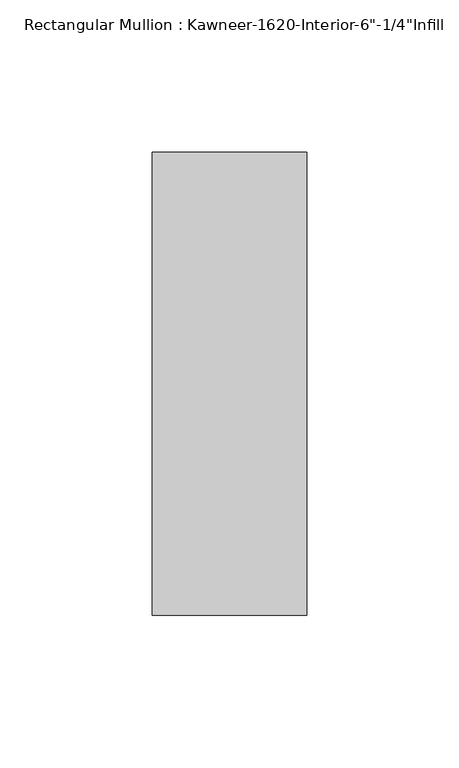
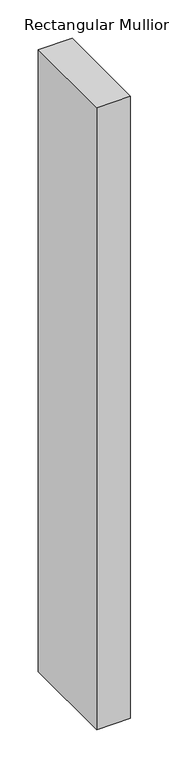
"""IFC4 building model written with IfcOpenShell, lengths in millimetres: member geometry."""

from ifc_helpers import new_model, si_unit, frame, origin, place, context, project, spatial, polyline, outline, extrude, source, transform, mapped, element, save


def member_6711b477(model_context):
    return source(origin(), model_context, "Body", "SweptSolid", [
        extrude(outline(polyline([(25.4, -123.825), (-25.4, -123.825), (-25.4, 28.575), (25.4, 28.575), (25.4, -123.825)])), frame((0.0, 0.0, -990.5758018), z_axis=(0.0, 0.0, 1.0), x_axis=(1.0, 0.0, 0.0)), (0.0, 0.0, 1.0), 990.5758018),
    ])


if __name__ == "__main__":
    model = new_model("IFC4")
    model_context = context("Model", 3, world=origin())
    ifc_project = project(units=[si_unit("LENGTHUNIT", "METRE", prefix="MILLI")], contexts=[model_context])
    site = spatial("IfcSite", under=ifc_project)
    building = spatial("IfcBuilding", under=site)
    placement = place(None, origin())
    member_shape = member_6711b477(model_context)
    element("IfcMember", 1, ObjectType="Rectangular Mullion : Kawneer-1620-Interior-6\"-1/4\"Infill", at=placement, inside=building, context=model_context, shape_type="MappedRepresentation", body=[
        mapped(member_shape, transform((0.0, 0.0, 0.0), x_axis=(1.0, 0.0, 0.0), y_axis=(0.0, 1.0, 0.0), z_axis=(0.0, 0.0, 1.0))),
    ])
    save(model, "model.ifc")
